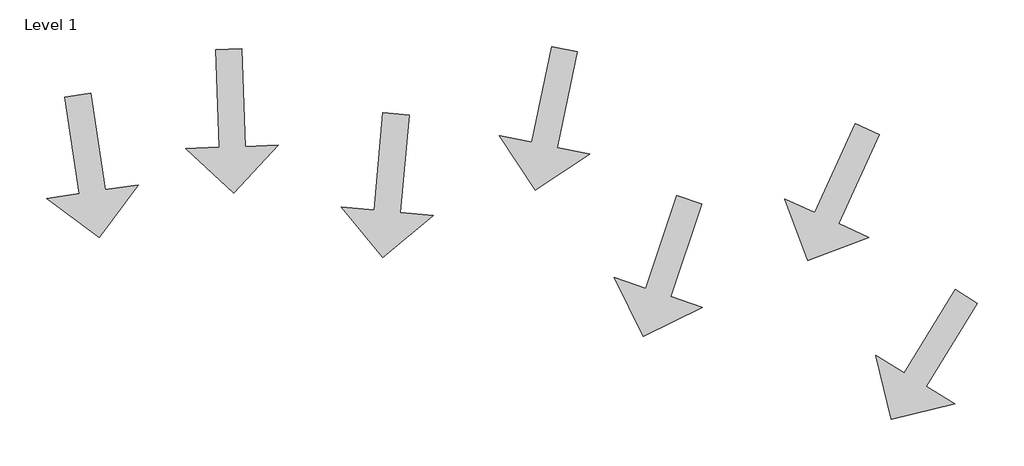
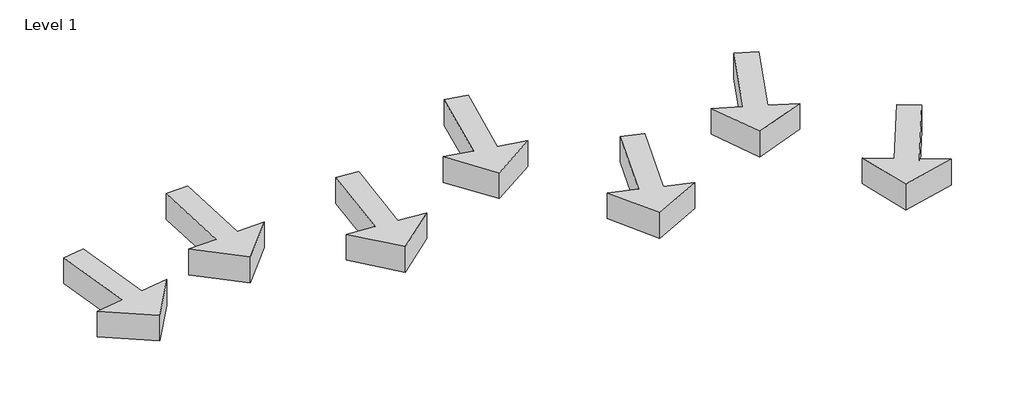
# One storey: 7 proxies.
"""IFC4 building model written with IfcOpenShell, lengths in millimetres."""

import ifcopenshell
import ifcopenshell.guid

model = None  # the IFC model being written
_history = None  # IfcOwnerHistory: only IFC2X3 demands one
_inside = {}  # id of a spatial element -> (the spatial element, [elements in it])
_under = {}  # id of a project, library or spatial element -> (it, [spatial elements below it])
_declared = {}  # id of a project -> (the project, [libraries it declares])
_typed = {}  # id of a type object -> (the type object, [elements of that type])
_made_of = {}  # id of a material, layer set ... -> (it, [elements and type objects made of it])


def new_model(schema):
    """Start an empty IFC model of exactly this schema.

    Asked for "IFC4X3", IfcOpenShell would pick the latest addendum, in which some entities
    have other attributes; the version numbers below select the first issue.
    IFC2X3 requires an IfcOwnerHistory on every rooted entity: one is made here for all.
    """
    global model, _history
    if schema == "IFC4X3":
        model = ifcopenshell.file(schema_version=(4, 3, 0, 0))
    else:
        model = ifcopenshell.file(schema=schema)
    _inside.clear()
    _under.clear()
    _declared.clear()
    _typed.clear()
    _made_of.clear()
    _history = None
    if model.schema == "IFC2X3":
        org = make("IfcOrganization", Name="unknown")
        user = make(
            "IfcPersonAndOrganization",
            ThePerson=make("IfcPerson", FamilyName="unknown"),
            TheOrganization=org,
        )
        app = make(
            "IfcApplication",
            ApplicationDeveloper=org,
            Version="unknown",
            ApplicationFullName="unknown",
            ApplicationIdentifier="unknown",
        )
        _history = make(
            "IfcOwnerHistory",
            OwningUser=user,
            OwningApplication=app,
            ChangeAction="ADDED",
            CreationDate=0,
        )
    return model


def make(cls, **values):
    """One entity of the class cls with the attributes given. An attribute that is None is left unset."""
    return model.create_entity(
        cls, **{name: value for name, value in values.items() if value is not None}
    )


def rooted(cls, **values):
    """An entity with a GlobalId (a new one), such as an element, a storey or a relation."""
    return make(cls, GlobalId=ifcopenshell.guid.new(), OwnerHistory=_history, **values)


def si_unit(unit_type, name, prefix=None):
    """IfcSIUnit, for example si_unit("LENGTHUNIT", "METRE", prefix="MILLI")."""
    return make("IfcSIUnit", UnitType=unit_type, Prefix=prefix, Name=name)


def assignment(units):
    """IfcUnitAssignment: the units of a project."""
    return None if units is None else make("IfcUnitAssignment", Units=units)


def point(xyz):
    """IfcCartesianPoint."""
    return None if xyz is None else make("IfcCartesianPoint", Coordinates=xyz)


def direction(xyz):
    """IfcDirection."""
    return None if xyz is None else make("IfcDirection", DirectionRatios=xyz)


def frame(location, z_axis=None, x_axis=None):
    """IfcAxis2Placement3D, a coordinate frame: its origin and axes. An axis left out is left unset."""
    return make(
        "IfcAxis2Placement3D",
        Location=point(location),
        Axis=direction(z_axis),
        RefDirection=direction(x_axis),
    )


def origin():
    """The frame at (0, 0, 0) with its axes left unset."""
    return frame((0.0, 0.0, 0.0))


def origin_with_axes():
    """The frame at (0, 0, 0) with the z axis (0, 0, 1) and the x axis (1, 0, 0) written out."""
    return frame((0.0, 0.0, 0.0), z_axis=(0.0, 0.0, 1.0), x_axis=(1.0, 0.0, 0.0))


def place(relative_to, where):
    """IfcLocalPlacement: puts the frame where relative to a parent placement (None: the world)."""
    return make(
        "IfcLocalPlacement", PlacementRelTo=relative_to, RelativePlacement=where
    )


def context(
    kind, dimensions, precision=None, world=None, true_north=None, identifier=None
):
    """IfcGeometricRepresentationContext, for example the 3D "Model" context."""
    return make(
        "IfcGeometricRepresentationContext",
        ContextIdentifier=identifier,
        ContextType=kind,
        CoordinateSpaceDimension=dimensions,
        Precision=precision,
        WorldCoordinateSystem=world,
        TrueNorth=true_north,
    )


def project(units=None, contexts=None):
    """IfcProject with its units and contexts."""
    return rooted(
        "IfcProject",
        Name="project",
        RepresentationContexts=contexts,
        UnitsInContext=assignment(units),
    )


def spatial(cls, under=None, at=None, **own):
    """A site, building, storey or space (cls), placed at a placement, below another one or the project."""
    s = rooted(cls, ObjectPlacement=at, **own)
    if under is not None:
        _under.setdefault(under.id(), (under, []))[1].append(s)
    return s


def polyline(points):
    """IfcPolyline through the points."""
    return make("IfcPolyline", Points=[point(p) for p in points])


def outline(outer, holes=None, kind="AREA"):
    """IfcArbitraryClosedProfileDef: a profile drawn as a closed curve; with holes, ...WithVoids."""
    if holes is None:
        return make("IfcArbitraryClosedProfileDef", ProfileType=kind, OuterCurve=outer)
    return make(
        "IfcArbitraryProfileDefWithVoids",
        ProfileType=kind,
        OuterCurve=outer,
        InnerCurves=holes,
    )


def extrude(swept, where, along, depth):
    """IfcExtrudedAreaSolid: the profile swept, set in the frame where, extruded along a direction by depth."""
    return make(
        "IfcExtrudedAreaSolid",
        SweptArea=swept,
        Position=where,
        ExtrudedDirection=direction(along),
        Depth=depth,
    )


def shape(context_of_items, identifier, shape_type, items):
    """IfcShapeRepresentation: the items that make up one representation, for example the "Body"."""
    return make(
        "IfcShapeRepresentation",
        ContextOfItems=context_of_items,
        RepresentationIdentifier=identifier,
        RepresentationType=shape_type,
        Items=items,
    )


def source(mapping_origin, context_of_items, identifier, shape_type, items):
    """IfcRepresentationMap: a shape defined once, which mapped items show again and again."""
    return make(
        "IfcRepresentationMap",
        MappingOrigin=mapping_origin,
        MappedRepresentation=shape(context_of_items, identifier, shape_type, items),
    )


def transform(
    local_origin,
    x_axis=None,
    y_axis=None,
    z_axis=None,
    scale=None,
    scale2=None,
    scale3=None,
    uniform=True,
):
    """IfcCartesianTransformationOperator3D, or its non-uniform kind. x_axis, y_axis, z_axis: its Axis1, 2, 3."""
    if uniform:
        return make(
            "IfcCartesianTransformationOperator3D",
            Axis1=direction(x_axis),
            Axis2=direction(y_axis),
            LocalOrigin=point(local_origin),
            Scale=scale,
            Axis3=direction(z_axis),
        )
    return make(
        "IfcCartesianTransformationOperator3DnonUniform",
        Axis1=direction(x_axis),
        Axis2=direction(y_axis),
        LocalOrigin=point(local_origin),
        Scale=scale,
        Axis3=direction(z_axis),
        Scale2=scale2,
        Scale3=scale3,
    )


def mapped(mapping_source, mapping_target):
    """IfcMappedItem: shows the shape of a source again, moved by a transform."""
    return make(
        "IfcMappedItem", MappingSource=mapping_source, MappingTarget=mapping_target
    )


def made_of(thing, what):
    """Note that an element or type object is made of a material, layer set ...; save() writes the relation."""
    if what is not None:
        _made_of.setdefault(what.id(), (what, []))[1].append(thing)
    return thing


def element(
    cls,
    number,
    at=None,
    inside=None,
    cuts=None,
    type_object=None,
    material=None,
    context=None,
    identifier="Body",
    shape_type=None,
    held_by="IfcProductDefinitionShape",
    body=None,
    shapes=None,
    **own,
):
    """One element of the class cls, such as IfcWall. Its Tag is "e" and its number.

    at: its placement. inside: the storey or other place that contains it. cuts: it is an
    opening in that element (IfcRelVoidsElement). A single representation is given by context,
    identifier, shape_type and body (its items); several are given by shapes. held_by: the class
    of the entity that holds the representations. save() writes the other relations.
    """
    e = rooted(cls, Tag="e%d" % number, ObjectPlacement=at, **own)
    if body is not None:
        shapes = [shape(context, identifier, shape_type, body)]
    if shapes is not None:
        e.Representation = make(held_by, Representations=shapes)
    if inside is not None:
        _inside.setdefault(inside.id(), (inside, []))[1].append(e)
    if cuts is not None:
        rooted(
            "IfcRelVoidsElement", RelatingBuildingElement=cuts, RelatedOpeningElement=e
        )
    if type_object is not None:
        _typed.setdefault(type_object.id(), (type_object, []))[1].append(e)
    return made_of(e, material)


def aggregate(whole, parts):
    """IfcRelAggregates: a whole, such as a stair, and the parts it consists of."""
    return rooted("IfcRelAggregates", RelatingObject=whole, RelatedObjects=parts)


def save(model, path):
    """Write the relations noted so far, then the file.

    IfcRelAggregates (storeys below a building ...), IfcRelContainedInSpatialStructure (elements
    in a storey), IfcRelDefinesByType, IfcRelAssociatesMaterial and IfcRelDeclares: one each for
    every whole, place, type object, material and project.
    """
    for whole, parts in _under.values():
        aggregate(whole, parts)
    for where, things in _inside.values():
        rooted(
            "IfcRelContainedInSpatialStructure",
            RelatedElements=things,
            RelatingStructure=where,
        )
    for kind, things in _typed.values():
        rooted("IfcRelDefinesByType", RelatedObjects=things, RelatingType=kind)
    for what, things in _made_of.values():
        rooted("IfcRelAssociatesMaterial", RelatedObjects=things, RelatingMaterial=what)
    for by, libraries in _declared.values():
        rooted("IfcRelDeclares", RelatingContext=by, RelatedDefinitions=libraries)
    model.write(path)


def family2_family2_a2b18f72(model_context):
    return source(origin(), model_context, "Body", "SweptSolid", [
        extrude(outline(polyline([(100.0, 0.0), (100.0, -746.4466094), (353.5533906, -746.4466094), (0.0, -1100.0), (-353.5533906, -746.4466094), (-100.0, -746.4466094), (-100.0, 0.0), (100.0, 0.0)])), origin_with_axes(), (0.0, 0.0, 1.0), 250.0),
    ])


model = new_model("IFC4")

# Units and contexts
model_context = context("Model", 3, world=origin())
ifc_project = project(units=[si_unit("LENGTHUNIT", "METRE", prefix="MILLI")], contexts=[model_context])

# Site, building, storey
site = spatial("IfcSite", under=ifc_project)
building = spatial("IfcBuilding", under=site)
storey = spatial("IfcBuildingStorey", under=building, Name="Level 1", Elevation=0.0)

# Proxies
placement = place(None, origin())
family2_family2_shape = family2_family2_a2b18f72(model_context)
element("IfcBuildingElementProxy", 1, Name="Family2 : Family2", ObjectType="Family2 : Family2", at=placement, inside=storey, context=model_context, shape_type="MappedRepresentation", body=[
    mapped(family2_family2_shape, transform((87.4845488, 4012.5849815, 0.0), x_axis=(0.9888568074086881, 0.14886979022453423, 0.0), y_axis=(-0.14886979022453423, 0.9888568074086881, 0.0), z_axis=(0.0, 0.0, 1.0))),
])
element("IfcBuildingElementProxy", 2, Name="Family2 : Family2", ObjectType="Family2 : Family2", at=placement, inside=storey, context=model_context, shape_type="MappedRepresentation", body=[
    mapped(family2_family2_shape, transform((1238.3374536, 4363.2354759, 0.0), x_axis=(0.9993613089479298, 0.035734775469847734, 0.0), y_axis=(-0.035734775469847734, 0.9993613089479298, 0.0), z_axis=(0.0, 0.0, 1.0))),
])
element("IfcBuildingElementProxy", 3, Name="Family2 : Family2", ObjectType="Family2 : Family2", at=placement, inside=storey, context=model_context, shape_type="MappedRepresentation", body=[
    mapped(family2_family2_shape, transform((2515.0648949, 3868.7283684, 0.0), x_axis=(0.9959513937765658, -0.08989338815795052, 0.0), y_axis=(0.08989338815795052, 0.9959513937765658, 0.0), z_axis=(0.0, 0.0, 1.0))),
])
element("IfcBuildingElementProxy", 4, Name="Family2 : Family2", ObjectType="Family2 : Family2", at=placement, inside=storey, context=model_context, shape_type="MappedRepresentation", body=[
    mapped(family2_family2_shape, transform((3800.7833745, 4363.2354759, 0.0), x_axis=(0.9789244684485845, -0.20422263604374613, 0.0), y_axis=(0.20422263604374613, 0.9789244684485845, 0.0), z_axis=(0.0, 0.0, 1.0))),
])
element("IfcBuildingElementProxy", 5, Name="Family2 : Family2", ObjectType="Family2 : Family2", at=placement, inside=storey, context=model_context, shape_type="MappedRepresentation", body=[
    mapped(family2_family2_shape, transform((4753.8334363, 3212.3825711, 0.0), x_axis=(0.9477973540297568, -0.31887329097024064, 0.0), y_axis=(0.31887329097024064, 0.9477973540297568, 0.0), z_axis=(0.0, 0.0, 1.0))),
])
element("IfcBuildingElementProxy", 6, Name="Family2 : Family2", ObjectType="Family2 : Family2", at=placement, inside=storey, context=model_context, shape_type="MappedRepresentation", body=[
    mapped(family2_family2_shape, transform((6111.4802225, 3751.8448702, 0.0), x_axis=(0.9100219967485241, -0.4145599660288355, 0.0), y_axis=(0.4145599660288355, 0.9100219967485241, 0.0), z_axis=(0.0, 0.0, 1.0))),
])
element("IfcBuildingElementProxy", 7, Name="Family2 : Family2", ObjectType="Family2 : Family2", at=placement, inside=storey, context=model_context, shape_type="MappedRepresentation", body=[
    mapped(family2_family2_shape, transform((6866.7274413, 2475.1174289, 0.0), x_axis=(0.8533075991082791, -0.5214078454569556, 0.0), y_axis=(0.5214078454569556, 0.8533075991082791, 0.0), z_axis=(0.0, 0.0, 1.0))),
])

save(model, "model.ifc")
